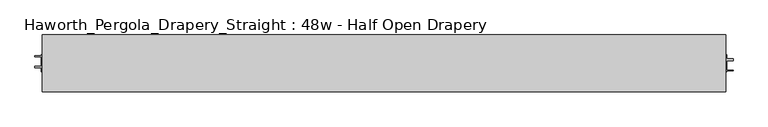
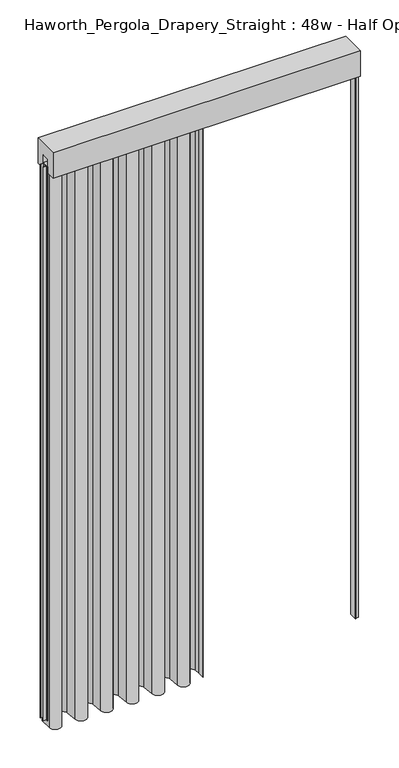
"""IFC4 building model written with IfcOpenShell, lengths in millimetres: furniture geometry, Haworth_Pergola_Drapery_Straight : 48w - Half Open Drapery."""

from ifc_helpers import new_model, si_unit, point, frame, frame_2d, origin, place, context, project, spatial, polyline, circle_curve, trimmed, segment, composite_curve, outline, extrude, source, transform, mapped, element, save


def haworth_pergola_drapery_straight_48w_half_open_drapery_d813ab32(model_context):
    return source(origin(), model_context, "Body", "SweptSolid", [
        extrude(outline(polyline([(-50.8, 2438.4), (50.8, 2438.4), (50.8, 2331.8390625), (15.2182948, 2331.8390625), (15.2182948, 2388.7001663), (-15.2182948, 2388.7001663), (-15.2182948, 2331.8390625), (-50.8, 2331.8390625), (-50.8, 2438.4)])), frame((-1790.7, 0.0, 0.0), z_axis=(1.0, 0.0, 0.0), x_axis=(0.0, 1.0, 0.0)), (0.0, 0.0, 1.0), 1219.2),
        extrude(outline(composite_curve([segment(polyline([(-1788.7, -20.9840165), (-1788.7, 25.4000008), (-1787.90625, 25.4000008), (-1787.90625, -20.9840165)]), True, "CONTINUOUS"), segment(trimmed(circle_curve(frame_2d((-1765.2970217, -20.9840165)), 22.6092283), [point((-1787.90625, -20.9840165))], [point((-1742.779759, -23.0211916))], True, "CARTESIAN"), True, "CONTINUOUS"), segment(polyline([(-1742.779759, -23.0211916), (-1738.5801015, 23.3983779)]), True, "CONTINUOUS"), segment(trimmed(circle_curve(frame_2d((-1714.5, 21.2198101)), 24.17845), [point((-1738.5801015, 23.3983779))], [point((-1690.4198983, 23.3983756))], False, "CARTESIAN"), True, "CONTINUOUS"), segment(polyline([(-1690.4198983, 23.3983756), (-1686.2298605, -22.9149155)]), True, "CONTINUOUS"), segment(trimmed(circle_curve(frame_2d((-1663.7000023, -20.876603)), 22.621875), [point((-1686.2298605, -22.9149155))], [point((-1641.1701443, -22.9149177))], True, "CARTESIAN"), True, "CONTINUOUS"), segment(polyline([(-1641.1701443, -22.9149177), (-1637.0109007, 23.0579488)]), True, "CONTINUOUS"), segment(trimmed(circle_curve(frame_2d((-1612.9, 20.8765946)), 24.209375), [point((-1637.0109007, 23.0579488))], [point((-1588.7890991, 23.0579465))], False, "CARTESIAN"), True, "CONTINUOUS"), segment(polyline([(-1588.7890991, 23.0579465), (-1584.6298605, -22.9149157)]), True, "CONTINUOUS"), segment(trimmed(circle_curve(frame_2d((-1562.1000023, -20.8766032)), 22.621875), [point((-1584.6298605, -22.9149157))], [point((-1539.5701443, -22.9149178))], True, "CARTESIAN"), True, "CONTINUOUS"), segment(polyline([(-1539.5701443, -22.9149178), (-1535.4109007, 23.0579492)]), True, "CONTINUOUS"), segment(trimmed(circle_curve(frame_2d((-1511.3, 20.876595)), 24.209375), [point((-1535.4109007, 23.0579492))], [point((-1487.1890991, 23.0579469))], False, "CARTESIAN"), True, "CONTINUOUS"), segment(polyline([(-1487.1890991, 23.0579469), (-1483.0298605, -22.9149155)]), True, "CONTINUOUS"), segment(trimmed(circle_curve(frame_2d((-1460.5000023, -20.876603)), 22.621875), [point((-1483.0298605, -22.9149155))], [point((-1437.9701443, -22.9149177))], True, "CARTESIAN"), True, "CONTINUOUS"), segment(polyline([(-1437.9701443, -22.9149177), (-1433.7801015, 23.3983779)]), True, "CONTINUOUS"), segment(trimmed(circle_curve(frame_2d((-1409.7, 21.2198101)), 24.17845), [point((-1433.7801015, 23.3983779))], [point((-1385.6198983, 23.3983756))], False, "CARTESIAN"), True, "CONTINUOUS"), segment(polyline([(-1385.6198983, 23.3983756), (-1381.4298605, -22.9149155)]), True, "CONTINUOUS"), segment(trimmed(circle_curve(frame_2d((-1358.9000023, -20.876603)), 22.621875), [point((-1381.4298605, -22.9149155))], [point((-1336.3701443, -22.9149177))], True, "CARTESIAN"), True, "CONTINUOUS"), segment(polyline([(-1336.3701443, -22.9149177), (-1332.1801015, 23.3983779)]), True, "CONTINUOUS"), segment(trimmed(circle_curve(frame_2d((-1308.1, 21.2198101)), 24.17845), [point((-1332.1801015, 23.3983779))], [point((-1284.0198983, 23.3983756))], False, "CARTESIAN"), True, "CONTINUOUS"), segment(polyline([(-1284.0198983, 23.3983756), (-1279.8298605, -22.9149155)]), True, "CONTINUOUS"), segment(trimmed(circle_curve(frame_2d((-1257.3000023, -20.876603)), 22.621875), [point((-1279.8298605, -22.9149155))], [point((-1234.7701443, -22.9149177))], True, "CARTESIAN"), True, "CONTINUOUS"), segment(polyline([(-1234.7701443, -22.9149177), (-1230.5801015, 23.3983779)]), True, "CONTINUOUS"), segment(trimmed(circle_curve(frame_2d((-1206.5, 21.2198101)), 24.17845), [point((-1230.5801015, 23.3983779))], [point((-1182.4198983, 23.3983756))], False, "CARTESIAN"), True, "CONTINUOUS"), segment(polyline([(-1182.4198983, 23.3983756), (-1180.7371094, 4.7981874), (-1180.7371094, -25.4000007), (-1181.5308594, -25.4000007), (-1181.5308594, 4.7623547), (-1183.2104196, 23.3268558)]), True, "CONTINUOUS"), segment(trimmed(circle_curve(frame_2d((-1206.5, 21.2198101)), 23.3847), [point((-1183.2104196, 23.3268558))], [point((-1229.7895802, 23.3268581))], True, "CARTESIAN"), True, "CONTINUOUS"), segment(polyline([(-1229.7895802, 23.3268581), (-1233.9796229, -22.9864375)]), True, "CONTINUOUS"), segment(trimmed(circle_curve(frame_2d((-1257.3000023, -20.876603)), 23.415625), [point((-1233.9796229, -22.9864375))], [point((-1280.6203818, -22.9864352))], False, "CARTESIAN"), True, "CONTINUOUS"), segment(polyline([(-1280.6203818, -22.9864352), (-1284.8104196, 23.3268558)]), True, "CONTINUOUS"), segment(trimmed(circle_curve(frame_2d((-1308.1, 21.2198101)), 23.3847), [point((-1284.8104196, 23.3268558))], [point((-1331.3895802, 23.3268581))], True, "CARTESIAN"), True, "CONTINUOUS"), segment(polyline([(-1331.3895802, 23.3268581), (-1335.5796229, -22.9864375)]), True, "CONTINUOUS"), segment(trimmed(circle_curve(frame_2d((-1358.9000023, -20.876603)), 23.415625), [point((-1335.5796229, -22.9864375))], [point((-1382.2203818, -22.9864352))], False, "CARTESIAN"), True, "CONTINUOUS"), segment(polyline([(-1382.2203818, -22.9864352), (-1386.4104196, 23.3268558)]), True, "CONTINUOUS"), segment(trimmed(circle_curve(frame_2d((-1409.7, 21.2198101)), 23.3847), [point((-1386.4104196, 23.3268558))], [point((-1432.9895802, 23.3268581))], True, "CARTESIAN"), True, "CONTINUOUS"), segment(polyline([(-1432.9895802, 23.3268581), (-1437.1796229, -22.9864375)]), True, "CONTINUOUS"), segment(trimmed(circle_curve(frame_2d((-1460.5000023, -20.876603)), 23.415625), [point((-1437.1796229, -22.9864375))], [point((-1483.8203818, -22.9864352))], False, "CARTESIAN"), True, "CONTINUOUS"), segment(polyline([(-1483.8203818, -22.9864352), (-1487.9796205, 22.9864271)]), True, "CONTINUOUS"), segment(trimmed(circle_curve(frame_2d((-1511.3, 20.876595)), 23.415625), [point((-1487.9796205, 22.9864271))], [point((-1534.6203794, 22.9864294))], True, "CARTESIAN"), True, "CONTINUOUS"), segment(polyline([(-1534.6203794, 22.9864294), (-1538.7796229, -22.9864377)]), True, "CONTINUOUS"), segment(trimmed(circle_curve(frame_2d((-1562.1000023, -20.8766032)), 23.415625), [point((-1538.7796229, -22.9864377))], [point((-1585.4203818, -22.9864354))], False, "CARTESIAN"), True, "CONTINUOUS"), segment(polyline([(-1585.4203818, -22.9864354), (-1589.5796205, 22.9864268)]), True, "CONTINUOUS"), segment(trimmed(circle_curve(frame_2d((-1612.9, 20.8765946)), 23.415625), [point((-1589.5796205, 22.9864268))], [point((-1636.2203794, 22.986429))], True, "CARTESIAN"), True, "CONTINUOUS"), segment(polyline([(-1636.2203794, 22.986429), (-1640.3796229, -22.9864375)]), True, "CONTINUOUS"), segment(trimmed(circle_curve(frame_2d((-1663.7000023, -20.876603)), 23.415625), [point((-1640.3796229, -22.9864375))], [point((-1687.0203818, -22.9864352))], False, "CARTESIAN"), True, "CONTINUOUS"), segment(polyline([(-1687.0203818, -22.9864352), (-1691.2104196, 23.3268558)]), True, "CONTINUOUS"), segment(trimmed(circle_curve(frame_2d((-1714.5, 21.2198101)), 23.3847), [point((-1691.2104196, 23.3268558))], [point((-1737.7895802, 23.3268581))], True, "CARTESIAN"), True, "CONTINUOUS"), segment(polyline([(-1737.7895802, 23.3268581), (-1741.9892377, -23.0927114)]), True, "CONTINUOUS"), segment(trimmed(circle_curve(frame_2d((-1765.2970217, -20.9840165)), 23.4029783), [point((-1741.9892377, -23.0927114))], [point((-1788.7, -20.9840165))], False, "CARTESIAN"), True, "CONTINUOUS")], self_intersect=False)), frame((0.0, 0.0, 12.7), z_axis=(0.0, 0.0, 1.0), x_axis=(1.0, 0.0, 0.0)), (0.0, 0.0, 1.0), 2343.15),
        extrude(outline(polyline([(-1790.7, -15.2249995), (-1790.7, 15.2249996), (-571.5, 15.2249996), (-571.5, -15.2249995), (-1790.7, -15.2249995)])), frame((0.0, 0.0, 2355.85), z_axis=(0.0, 0.0, 1.0), x_axis=(1.0, 0.0, 0.0)), (0.0, 0.0, 1.0), 1.7500385),
        extrude(outline(polyline([(-571.5, -15.2249996), (-571.5, 15.2249995), (-569.7499999, 15.2249995), (-569.7499999, 7.8249998), (-558.1000003, 7.8249998), (-558.1000003, 4.8250001), (-569.7499999, 4.8250001), (-569.7499999, -11.8250005), (-558.2500003, -11.8250005), (-558.2500003, -13.3999997), (-569.7499999, -13.3999997), (-569.7499999, -15.2249996), (-571.5, -15.2249996)])), frame((0.0, 0.0, 38.1), z_axis=(0.0, 0.0, 1.0), x_axis=(1.0, 0.0, 0.0)), (0.0, 0.0, 1.0), 2317.75),
        extrude(outline(polyline([(-1790.7, 15.2249996), (-1790.7, -15.2249995), (-1792.4500001, -15.2249995), (-1792.4500001, -7.8249998), (-1804.0999997, -7.8249998), (-1804.0999997, -4.8250001), (-1792.4500001, -4.8250001), (-1792.4500001, 11.8250005), (-1803.9499997, 11.8250005), (-1803.9499997, 13.3999997), (-1792.4500001, 13.3999997), (-1792.4500001, 15.2249996), (-1790.7, 15.2249996)])), frame((0.0, 0.0, 38.1), z_axis=(0.0, 0.0, 1.0), x_axis=(1.0, 0.0, 0.0)), (0.0, 0.0, 1.0), 2317.75),
        extrude(outline(composite_curve([segment(trimmed(circle_curve(frame_2d((-1181.1, 0.0)), 6.0), [point((-1187.1, 0.0))], [point((-1175.1, 0.0))], False, "CARTESIAN"), True, "CONTINUOUS"), segment(trimmed(circle_curve(frame_2d((-1181.1, 0.0)), 6.0), [point((-1175.1, 0.0))], [point((-1187.1, 0.0))], False, "CARTESIAN"), True, "CONTINUOUS")], self_intersect=False)), frame((0.0, 0.0, 2319.1390625), z_axis=(0.0, 0.0, 1.0), x_axis=(1.0, 0.0, 0.0)), (0.0, 0.0, 1.0), 36.7109375),
    ])


if __name__ == "__main__":
    model = new_model("IFC4")
    model_context = context("Model", 3, world=origin())
    ifc_project = project(units=[si_unit("LENGTHUNIT", "METRE", prefix="MILLI")], contexts=[model_context])
    site = spatial("IfcSite", under=ifc_project)
    building = spatial("IfcBuilding", under=site)
    placement = place(None, origin())
    haworth_pergola_drapery_straight_48w_half_open_drapery_shape = haworth_pergola_drapery_straight_48w_half_open_drapery_d813ab32(model_context)
    element("IfcFurniture", 1, ObjectType="Haworth_Pergola_Drapery_Straight : 48w - Half Open Drapery", at=placement, inside=building, context=model_context, shape_type="MappedRepresentation", body=[
        mapped(haworth_pergola_drapery_straight_48w_half_open_drapery_shape, transform((0.0, 0.0, 0.0), x_axis=(1.0, 0.0, 0.0), y_axis=(0.0, 1.0, 0.0), z_axis=(0.0, 0.0, 1.0))),
    ])
    save(model, "model.ifc")
